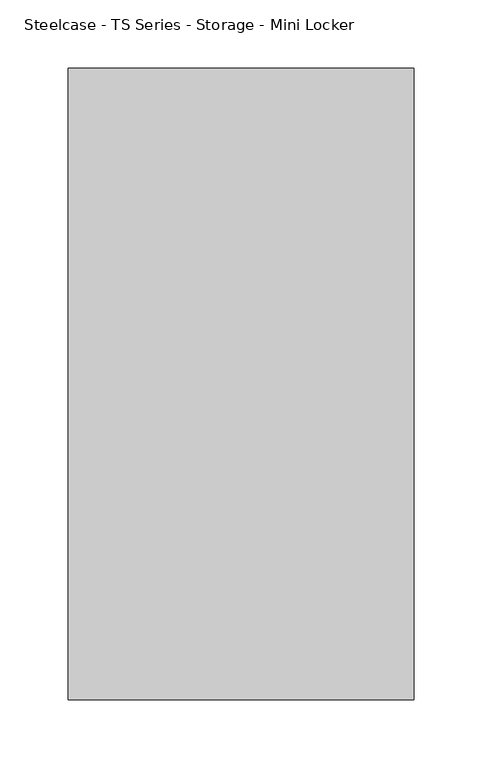
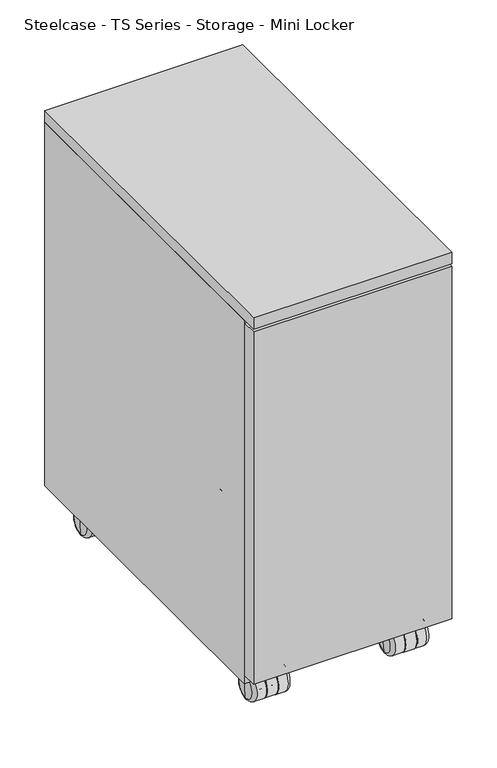
"""IFC4 building model written with IfcOpenShell, lengths in millimetres: furniture geometry, Steelcase - TS Series - Storage - Mini Locker."""

import ifcopenshell
import ifcopenshell.guid

model = None  # the IFC model being written
_history = None  # IfcOwnerHistory: only IFC2X3 demands one
_inside = {}  # id of a spatial element -> (the spatial element, [elements in it])
_under = {}  # id of a project, library or spatial element -> (it, [spatial elements below it])
_declared = {}  # id of a project -> (the project, [libraries it declares])
_typed = {}  # id of a type object -> (the type object, [elements of that type])
_made_of = {}  # id of a material, layer set ... -> (it, [elements and type objects made of it])


def new_model(schema):
    """Start an empty IFC model of exactly this schema.

    Asked for "IFC4X3", IfcOpenShell would pick the latest addendum, in which some entities
    have other attributes; the version numbers below select the first issue.
    IFC2X3 requires an IfcOwnerHistory on every rooted entity: one is made here for all.
    """
    global model, _history
    if schema == "IFC4X3":
        model = ifcopenshell.file(schema_version=(4, 3, 0, 0))
    else:
        model = ifcopenshell.file(schema=schema)
    _inside.clear()
    _under.clear()
    _declared.clear()
    _typed.clear()
    _made_of.clear()
    _history = None
    if model.schema == "IFC2X3":
        org = make("IfcOrganization", Name="unknown")
        user = make(
            "IfcPersonAndOrganization",
            ThePerson=make("IfcPerson", FamilyName="unknown"),
            TheOrganization=org,
        )
        app = make(
            "IfcApplication",
            ApplicationDeveloper=org,
            Version="unknown",
            ApplicationFullName="unknown",
            ApplicationIdentifier="unknown",
        )
        _history = make(
            "IfcOwnerHistory",
            OwningUser=user,
            OwningApplication=app,
            ChangeAction="ADDED",
            CreationDate=0,
        )
    return model


def make(cls, **values):
    """One entity of the class cls with the attributes given. An attribute that is None is left unset."""
    return model.create_entity(
        cls, **{name: value for name, value in values.items() if value is not None}
    )


def rooted(cls, **values):
    """An entity with a GlobalId (a new one), such as an element, a storey or a relation."""
    return make(cls, GlobalId=ifcopenshell.guid.new(), OwnerHistory=_history, **values)


def si_unit(unit_type, name, prefix=None):
    """IfcSIUnit, for example si_unit("LENGTHUNIT", "METRE", prefix="MILLI")."""
    return make("IfcSIUnit", UnitType=unit_type, Prefix=prefix, Name=name)


def assignment(units):
    """IfcUnitAssignment: the units of a project."""
    return None if units is None else make("IfcUnitAssignment", Units=units)


def point(xyz):
    """IfcCartesianPoint."""
    return None if xyz is None else make("IfcCartesianPoint", Coordinates=xyz)


def direction(xyz):
    """IfcDirection."""
    return None if xyz is None else make("IfcDirection", DirectionRatios=xyz)


def frame(location, z_axis=None, x_axis=None):
    """IfcAxis2Placement3D, a coordinate frame: its origin and axes. An axis left out is left unset."""
    return make(
        "IfcAxis2Placement3D",
        Location=point(location),
        Axis=direction(z_axis),
        RefDirection=direction(x_axis),
    )


def frame_2d(location, x_axis=None):
    """IfcAxis2Placement2D, a coordinate frame in the plane: its origin and x axis."""
    return make(
        "IfcAxis2Placement2D", Location=point(location), RefDirection=direction(x_axis)
    )


def origin():
    """The frame at (0, 0, 0) with its axes left unset."""
    return frame((0.0, 0.0, 0.0))


def place(relative_to, where):
    """IfcLocalPlacement: puts the frame where relative to a parent placement (None: the world)."""
    return make(
        "IfcLocalPlacement", PlacementRelTo=relative_to, RelativePlacement=where
    )


def context(
    kind, dimensions, precision=None, world=None, true_north=None, identifier=None
):
    """IfcGeometricRepresentationContext, for example the 3D "Model" context."""
    return make(
        "IfcGeometricRepresentationContext",
        ContextIdentifier=identifier,
        ContextType=kind,
        CoordinateSpaceDimension=dimensions,
        Precision=precision,
        WorldCoordinateSystem=world,
        TrueNorth=true_north,
    )


def project(units=None, contexts=None):
    """IfcProject with its units and contexts."""
    return rooted(
        "IfcProject",
        Name="project",
        RepresentationContexts=contexts,
        UnitsInContext=assignment(units),
    )


def spatial(cls, under=None, at=None, **own):
    """A site, building, storey or space (cls), placed at a placement, below another one or the project."""
    s = rooted(cls, ObjectPlacement=at, **own)
    if under is not None:
        _under.setdefault(under.id(), (under, []))[1].append(s)
    return s


def polyline(points):
    """IfcPolyline through the points."""
    return make("IfcPolyline", Points=[point(p) for p in points])


def circle_curve(where, radius):
    """IfcCircle in the frame where."""
    return make("IfcCircle", Position=where, Radius=radius)


def ellipse_curve(where, semi_axis1, semi_axis2):
    """IfcEllipse in the frame where."""
    return make(
        "IfcEllipse", Position=where, SemiAxis1=semi_axis1, SemiAxis2=semi_axis2
    )


def trimmed(basis, trim1, trim2, sense, master):
    """IfcTrimmedCurve: the piece of a basis curve between two trims."""
    return make(
        "IfcTrimmedCurve",
        BasisCurve=basis,
        Trim1=trim1,
        Trim2=trim2,
        SenseAgreement=sense,
        MasterRepresentation=master,
    )


def segment(curve, same_sense, transition):
    """IfcCompositeCurveSegment."""
    return make(
        "IfcCompositeCurveSegment",
        Transition=transition,
        SameSense=same_sense,
        ParentCurve=curve,
    )


def composite_curve(segments, self_intersect=None):
    """IfcCompositeCurve: segments joined end to end."""
    return make("IfcCompositeCurve", Segments=segments, SelfIntersect=self_intersect)


def outline(outer, holes=None, kind="AREA"):
    """IfcArbitraryClosedProfileDef: a profile drawn as a closed curve; with holes, ...WithVoids."""
    if holes is None:
        return make("IfcArbitraryClosedProfileDef", ProfileType=kind, OuterCurve=outer)
    return make(
        "IfcArbitraryProfileDefWithVoids",
        ProfileType=kind,
        OuterCurve=outer,
        InnerCurves=holes,
    )


def extrude(swept, where, along, depth):
    """IfcExtrudedAreaSolid: the profile swept, set in the frame where, extruded along a direction by depth."""
    return make(
        "IfcExtrudedAreaSolid",
        SweptArea=swept,
        Position=where,
        ExtrudedDirection=direction(along),
        Depth=depth,
    )


def shape(context_of_items, identifier, shape_type, items):
    """IfcShapeRepresentation: the items that make up one representation, for example the "Body"."""
    return make(
        "IfcShapeRepresentation",
        ContextOfItems=context_of_items,
        RepresentationIdentifier=identifier,
        RepresentationType=shape_type,
        Items=items,
    )


def source(mapping_origin, context_of_items, identifier, shape_type, items):
    """IfcRepresentationMap: a shape defined once, which mapped items show again and again."""
    return make(
        "IfcRepresentationMap",
        MappingOrigin=mapping_origin,
        MappedRepresentation=shape(context_of_items, identifier, shape_type, items),
    )


def transform(
    local_origin,
    x_axis=None,
    y_axis=None,
    z_axis=None,
    scale=None,
    scale2=None,
    scale3=None,
    uniform=True,
):
    """IfcCartesianTransformationOperator3D, or its non-uniform kind. x_axis, y_axis, z_axis: its Axis1, 2, 3."""
    if uniform:
        return make(
            "IfcCartesianTransformationOperator3D",
            Axis1=direction(x_axis),
            Axis2=direction(y_axis),
            LocalOrigin=point(local_origin),
            Scale=scale,
            Axis3=direction(z_axis),
        )
    return make(
        "IfcCartesianTransformationOperator3DnonUniform",
        Axis1=direction(x_axis),
        Axis2=direction(y_axis),
        LocalOrigin=point(local_origin),
        Scale=scale,
        Axis3=direction(z_axis),
        Scale2=scale2,
        Scale3=scale3,
    )


def mapped(mapping_source, mapping_target):
    """IfcMappedItem: shows the shape of a source again, moved by a transform."""
    return make(
        "IfcMappedItem", MappingSource=mapping_source, MappingTarget=mapping_target
    )


def made_of(thing, what):
    """Note that an element or type object is made of a material, layer set ...; save() writes the relation."""
    if what is not None:
        _made_of.setdefault(what.id(), (what, []))[1].append(thing)
    return thing


def element(
    cls,
    number,
    at=None,
    inside=None,
    cuts=None,
    type_object=None,
    material=None,
    context=None,
    identifier="Body",
    shape_type=None,
    held_by="IfcProductDefinitionShape",
    body=None,
    shapes=None,
    **own,
):
    """One element of the class cls, such as IfcWall. Its Tag is "e" and its number.

    at: its placement. inside: the storey or other place that contains it. cuts: it is an
    opening in that element (IfcRelVoidsElement). A single representation is given by context,
    identifier, shape_type and body (its items); several are given by shapes. held_by: the class
    of the entity that holds the representations. save() writes the other relations.
    """
    e = rooted(cls, Tag="e%d" % number, ObjectPlacement=at, **own)
    if body is not None:
        shapes = [shape(context, identifier, shape_type, body)]
    if shapes is not None:
        e.Representation = make(held_by, Representations=shapes)
    if inside is not None:
        _inside.setdefault(inside.id(), (inside, []))[1].append(e)
    if cuts is not None:
        rooted(
            "IfcRelVoidsElement", RelatingBuildingElement=cuts, RelatedOpeningElement=e
        )
    if type_object is not None:
        _typed.setdefault(type_object.id(), (type_object, []))[1].append(e)
    return made_of(e, material)


def aggregate(whole, parts):
    """IfcRelAggregates: a whole, such as a stair, and the parts it consists of."""
    return rooted("IfcRelAggregates", RelatingObject=whole, RelatedObjects=parts)


def save(model, path):
    """Write the relations noted so far, then the file.

    IfcRelAggregates (storeys below a building ...), IfcRelContainedInSpatialStructure (elements
    in a storey), IfcRelDefinesByType, IfcRelAssociatesMaterial and IfcRelDeclares: one each for
    every whole, place, type object, material and project.
    """
    for whole, parts in _under.values():
        aggregate(whole, parts)
    for where, things in _inside.values():
        rooted(
            "IfcRelContainedInSpatialStructure",
            RelatedElements=things,
            RelatingStructure=where,
        )
    for kind, things in _typed.values():
        rooted("IfcRelDefinesByType", RelatedObjects=things, RelatingType=kind)
    for what, things in _made_of.values():
        rooted("IfcRelAssociatesMaterial", RelatedObjects=things, RelatingMaterial=what)
    for by, libraries in _declared.values():
        rooted("IfcRelDeclares", RelatingContext=by, RelatedDefinitions=libraries)
    model.write(path)


def plane_surface(at):
    """IfcPlane: the flat surface through the origin of the frame at, square to its z axis."""
    return make("IfcPlane", Position=at)


def cylinder_surface(at, radius):
    """IfcCylindricalSurface: all points at the distance radius from the z axis of the frame at."""
    return make("IfcCylindricalSurface", Position=at, Radius=radius)


def revolved_surface(curve, axis_point, axis_direction):
    """IfcSurfaceOfRevolution: the curve turned about the line through axis_point along axis_direction."""
    return make(
        "IfcSurfaceOfRevolution",
        SweptCurve=make("IfcArbitraryOpenProfileDef", ProfileType="CURVE", Curve=curve),
        AxisPosition=make("IfcAxis1Placement", Location=point(axis_point), Axis=direction(axis_direction)),
    )


def advanced_brep(points, edges, surfaces, faces):
    """IfcAdvancedBrep: a solid bounded by faces that lie on surfaces and meet in shared edges.

    An edge is (start, end): straight between two places in points (the first is 0);
    or (start, end, curve); or (start, end, curve, False) where it runs against its curve.
    A face is (place in surfaces, loops), or (place, loops, False) where it looks against
    its surface's normal. A loop lists edges by number (the first is 1), with a minus sign
    where the edge is run from its end to its start. The first loop is the outer one.
    """
    corners = [point(p) for p in points]
    vertices = [make("IfcVertexPoint", VertexGeometry=c) for c in corners]
    made = []
    for start, end, *more in edges:
        made.append(
            make(
                "IfcEdgeCurve",
                EdgeStart=vertices[start],
                EdgeEnd=vertices[end],
                EdgeGeometry=more[0] if more else make("IfcPolyline", Points=[corners[start], corners[end]]),
                SameSense=more[1] if len(more) > 1 else True,
            )
        )
    hull = []
    for where, loops, *sense in faces:
        bounds = []
        for j, loop in enumerate(loops):
            ring = [make("IfcOrientedEdge", EdgeElement=made[abs(k) - 1], Orientation=k > 0) for k in loop]
            bounds.append(
                make(
                    "IfcFaceOuterBound" if j == 0 else "IfcFaceBound",
                    Bound=make("IfcEdgeLoop", EdgeList=ring),
                    Orientation=True,
                )
            )
        hull.append(make("IfcAdvancedFace", Bounds=bounds, FaceSurface=surfaces[where], SameSense=sense[0] if sense else True))
    return make("IfcAdvancedBrep", Outer=make("IfcClosedShell", CfsFaces=hull))


def steelcase_ts_series_storage_mini_locker_1188f6e9(model_context):
    return source(origin(), model_context, "Body", "SolidModel", [
        extrude(outline(composite_curve([segment(trimmed(circle_curve(frame_2d((690.582658, -893.1213726)), 6.7307907), [point((683.8518673, -893.1213726))], [point((697.3134487, -893.1213726))], False, "CARTESIAN"), True, "CONTINUOUS"), segment(trimmed(circle_curve(frame_2d((690.582658, -893.1213726)), 6.7307907), [point((697.3134487, -893.1213726))], [point((683.8518673, -893.1213726))], False, "CARTESIAN"), True, "CONTINUOUS")], self_intersect=False)), frame((0.0, 0.0, 7.3040774), z_axis=(0.0, 0.0, 1.0), x_axis=(1.0, 0.0, 0.0)), (0.0, 0.0, 1.0), 35.891348),
        advanced_brep(
        [(665.4020244, -879.1236777, 16.8528973), (666.3746163, -879.1236777, 30.9560996), (666.3746163, -879.1236777, 2.7496949), (670.7118263, -879.1236777, 35.2933096), (670.7118263, -879.1236777, -1.5875151), (682.4978948, -879.1236777, 35.2933096), (682.4978948, -879.1236777, -1.5875151), (682.4978948, -879.1236777, 24.5061168), (682.4978948, -879.1236777, 9.1996777), (683.8518673, -879.1236777, 24.5061168), (683.8518673, -879.1236777, 9.1996777), (683.8518673, -879.1236777, 35.2933096), (683.8518673, -879.1236777, -1.5875151), (697.3134487, -879.1236777, 35.2933096), (697.3134487, -879.1236777, -1.5875151), (697.3134487, -879.1236777, 24.5061168), (697.3134487, -879.1236777, 9.1996777), (698.6674211, -879.1236777, 24.5061168), (698.6674211, -879.1236777, 9.1996777), (698.6674211, -879.1236777, 35.2933096), (698.6674211, -879.1236777, -1.5875151), (710.4534897, -879.1236777, 35.2933096), (710.4534897, -879.1236777, -1.5875151), (714.7906997, -879.1236777, 30.9560996), (714.7906997, -879.1236777, 2.7496949), (715.7632915, -879.1236777, 16.8528973)],
        [
            (0, 1, circle_curve(frame((563.635605, -879.1236777, 30.9560996), z_axis=(0.0, -1.0, 0.0), x_axis=(-1.0, 0.0, 0.0)), 102.7390113)),
            (1, 2, circle_curve(frame((666.3746163, -879.1236777, 16.8528973), z_axis=(-1.0, 0.0, 0.0), x_axis=(0.0, 0.0, 1.0)), 14.1032024)),
            (2, 0, circle_curve(frame((563.635605, -879.1236777, 2.7496949), z_axis=(0.0, -1.0, 0.0), x_axis=(-1.0, 0.0, 0.0)), 102.7390113)),
            (2, 1, circle_curve(frame((666.3746163, -879.1236777, 16.8528973), z_axis=(-1.0, 0.0, 0.0), x_axis=(0.0, 0.0, 1.0)), 14.1032024)),
            (1, 3, circle_curve(frame((670.7118263, -879.1236777, 30.9560996), z_axis=(0.0, 1.0, 0.0), x_axis=(-1.0, 0.0, 0.0)), 4.33721)),
            (3, 4, circle_curve(frame((670.7118263, -879.1236777, 16.8528973), z_axis=(-1.0, 0.0, 0.0), x_axis=(0.0, 0.0, 1.0)), 18.4404124)),
            (4, 2, circle_curve(frame((670.7118263, -879.1236777, 2.7496949), z_axis=(0.0, 1.0, 0.0), x_axis=(-1.0, 0.0, 0.0)), 4.33721)),
            (4, 3, circle_curve(frame((670.7118263, -879.1236777, 16.8528973), z_axis=(-1.0, 0.0, 0.0), x_axis=(0.0, 0.0, 1.0)), 18.4404124)),
            (3, 5),
            (5, 6, circle_curve(frame((682.4978948, -879.1236777, 16.8528973), z_axis=(-1.0, 0.0, 0.0), x_axis=(0.0, 0.0, 1.0)), 18.4404124)),
            (6, 4),
            (6, 5, circle_curve(frame((682.4978948, -879.1236777, 16.8528973), z_axis=(-1.0, 0.0, 0.0), x_axis=(0.0, 0.0, 1.0)), 18.4404124)),
            (5, 7),
            (7, 8, circle_curve(frame((682.4978948, -879.1236777, 16.8528973), z_axis=(-1.0, 0.0, 0.0), x_axis=(0.0, 0.0, 1.0)), 7.6532196)),
            (8, 6),
            (8, 7, circle_curve(frame((682.4978948, -879.1236777, 16.8528973), z_axis=(-1.0, 0.0, 0.0), x_axis=(0.0, 0.0, 1.0)), 7.6532196)),
            (7, 9),
            (9, 10, circle_curve(frame((683.8518673, -879.1236777, 16.8528973), z_axis=(-1.0, 0.0, 0.0), x_axis=(0.0, 0.0, 1.0)), 7.6532196)),
            (10, 8),
            (10, 9, circle_curve(frame((683.8518673, -879.1236777, 16.8528973), z_axis=(-1.0, 0.0, 0.0), x_axis=(0.0, 0.0, 1.0)), 7.6532196)),
            (9, 11),
            (11, 12, circle_curve(frame((683.8518673, -879.1236777, 16.8528973), z_axis=(-1.0, 0.0, 0.0), x_axis=(0.0, 0.0, 1.0)), 18.4404124)),
            (12, 10),
            (12, 11, circle_curve(frame((683.8518673, -879.1236777, 16.8528973), z_axis=(-1.0, 0.0, 0.0), x_axis=(0.0, 0.0, 1.0)), 18.4404124)),
            (11, 13),
            (13, 14, circle_curve(frame((697.3134487, -879.1236777, 16.8528973), z_axis=(-1.0, 0.0, 0.0), x_axis=(0.0, 0.0, 1.0)), 18.4404124)),
            (14, 12),
            (14, 13, circle_curve(frame((697.3134487, -879.1236777, 16.8528973), z_axis=(-1.0, 0.0, 0.0), x_axis=(0.0, 0.0, 1.0)), 18.4404124)),
            (13, 15),
            (15, 16, circle_curve(frame((697.3134487, -879.1236777, 16.8528973), z_axis=(-1.0, 0.0, 0.0), x_axis=(0.0, 0.0, 1.0)), 7.6532196)),
            (16, 14),
            (16, 15, circle_curve(frame((697.3134487, -879.1236777, 16.8528973), z_axis=(-1.0, 0.0, 0.0), x_axis=(0.0, 0.0, 1.0)), 7.6532196)),
            (15, 17),
            (17, 18, circle_curve(frame((698.6674211, -879.1236777, 16.8528973), z_axis=(-1.0, 0.0, 0.0), x_axis=(0.0, 0.0, 1.0)), 7.6532196)),
            (18, 16),
            (18, 17, circle_curve(frame((698.6674211, -879.1236777, 16.8528973), z_axis=(-1.0, 0.0, 0.0), x_axis=(0.0, 0.0, 1.0)), 7.6532196)),
            (17, 19),
            (19, 20, circle_curve(frame((698.6674211, -879.1236777, 16.8528973), z_axis=(-1.0, 0.0, 0.0), x_axis=(0.0, 0.0, 1.0)), 18.4404124)),
            (20, 18),
            (20, 19, circle_curve(frame((698.6674211, -879.1236777, 16.8528973), z_axis=(-1.0, 0.0, 0.0), x_axis=(0.0, 0.0, 1.0)), 18.4404124)),
            (19, 21),
            (21, 22, circle_curve(frame((710.4534897, -879.1236777, 16.8528973), z_axis=(-1.0, 0.0, 0.0), x_axis=(0.0, 0.0, 1.0)), 18.4404124)),
            (22, 20),
            (22, 21, circle_curve(frame((710.4534897, -879.1236777, 16.8528973), z_axis=(-1.0, 0.0, 0.0), x_axis=(0.0, 0.0, 1.0)), 18.4404124)),
            (21, 23, circle_curve(frame((710.4534897, -879.1236777, 30.9560996), z_axis=(0.0, 1.0, 0.0), x_axis=(-1.0, 0.0, 0.0)), 4.33721)),
            (23, 24, circle_curve(frame((714.7906997, -879.1236777, 16.8528973), z_axis=(-1.0, 0.0, 0.0), x_axis=(0.0, 0.0, 1.0)), 14.1032024)),
            (24, 22, circle_curve(frame((710.4534897, -879.1236777, 2.7496949), z_axis=(0.0, 1.0, 0.0), x_axis=(-1.0, 0.0, 0.0)), 4.33721)),
            (24, 23, circle_curve(frame((714.7906997, -879.1236777, 16.8528973), z_axis=(-1.0, 0.0, 0.0), x_axis=(0.0, 0.0, 1.0)), 14.1032024)),
            (23, 25, circle_curve(frame((817.529711, -879.1236777, 30.9560996), z_axis=(0.0, -1.0, 0.0), x_axis=(-1.0, 0.0, 0.0)), 102.7390113)),
            (25, 24, circle_curve(frame((817.529711, -879.1236777, 2.7496949), z_axis=(0.0, -1.0, 0.0), x_axis=(-1.0, 0.0, 0.0)), 102.7390113)),
        ],
        [
            revolved_surface(trimmed(ellipse_curve(frame((563.635605, -879.1236777, 30.9560996), z_axis=(0.0, 1.0, 0.0), x_axis=(-1.0, 0.0, 0.0)), 102.7390113, 102.7390113), [point((666.3746163, -879.1236777, 30.9560996))], [point((665.4020244, -879.1236777, 16.8528973))], True, "CARTESIAN"), (683.0897593, -879.1236777, 16.8528973), (-1.0, 0.0, 0.0)),
            revolved_surface(trimmed(ellipse_curve(frame((670.7118263, -879.1236777, 30.9560996), z_axis=(0.0, -1.0, 0.0), x_axis=(-1.0, 0.0, 0.0)), 4.33721, 4.33721), [point((670.7118263, -879.1236777, 35.2933096))], [point((666.3746163, -879.1236777, 30.9560996))], True, "CARTESIAN"), (683.0897593, -879.1236777, 16.8528973), (-1.0, 0.0, 0.0)),
            cylinder_surface(frame((683.0897593, -879.1236777, 16.8528973), z_axis=(-1.0, 0.0, 0.0), x_axis=(0.0, 0.0, 1.0)), 18.4404124),
            plane_surface(frame((682.4978948, -879.1236777, 16.8528973), z_axis=(1.0, 0.0, 0.0), x_axis=(0.0, 0.0, 1.0))),
            cylinder_surface(frame((683.0897593, -879.1236777, 16.8528973), z_axis=(-1.0, 0.0, 0.0), x_axis=(0.0, 0.0, 1.0)), 7.6532196),
            plane_surface(frame((683.8518673, -879.1236777, 16.8528973), z_axis=(-1.0, 0.0, 0.0), x_axis=(0.0, 0.0, 1.0))),
            plane_surface(frame((697.3134487, -879.1236777, 16.8528973), z_axis=(1.0, 0.0, 0.0), x_axis=(0.0, 0.0, 1.0))),
            plane_surface(frame((698.6674211, -879.1236777, 16.8528973), z_axis=(-1.0, 0.0, 0.0), x_axis=(0.0, 0.0, 1.0))),
            revolved_surface(trimmed(ellipse_curve(frame((710.4534897, -879.1236777, 30.9560996), z_axis=(0.0, -1.0, 0.0), x_axis=(-1.0, 0.0, 0.0)), 4.33721, 4.33721), [point((714.7906997, -879.1236777, 30.9560996))], [point((710.4534897, -879.1236777, 35.2933096))], True, "CARTESIAN"), (683.0897593, -879.1236777, 16.8528973), (-1.0, 0.0, 0.0)),
            revolved_surface(trimmed(ellipse_curve(frame((817.529711, -879.1236777, 30.9560996), z_axis=(0.0, 1.0, 0.0), x_axis=(-1.0, 0.0, 0.0)), 102.7390113, 102.7390113), [point((715.7632915, -879.1236777, 16.8528973))], [point((714.7906997, -879.1236777, 30.9560996))], True, "CARTESIAN"), (683.0897593, -879.1236777, 16.8528973), (-1.0, 0.0, 0.0)),
        ],
        [
            (0, [[1, 2, 3]]),
            (0, [[-3, 4, -1]]),
            (1, [[-2, 5, 6, 7]]),
            (1, [[-4, -7, 8, -5]]),
            (2, [[-6, 9, 10, 11]]),
            (2, [[-8, -11, 12, -9]]),
            (3, [[-10, 13, 14, 15]]),
            (3, [[-12, -15, 16, -13]]),
            (4, [[-14, 17, 18, 19]]),
            (4, [[-16, -19, 20, -17]]),
            (5, [[-18, 21, 22, 23]]),
            (5, [[-20, -23, 24, -21]]),
            (2, [[-22, 25, 26, 27]]),
            (2, [[-24, -27, 28, -25]]),
            (6, [[-26, 29, 30, 31]]),
            (6, [[-28, -31, 32, -29]]),
            (4, [[-30, 33, 34, 35]]),
            (4, [[-32, -35, 36, -33]]),
            (7, [[-34, 37, 38, 39]]),
            (7, [[-36, -39, 40, -37]]),
            (2, [[-38, 41, 42, 43]]),
            (2, [[-40, -43, 44, -41]]),
            (8, [[-42, 45, 46, 47]]),
            (8, [[-44, -47, 48, -45]]),
            (9, [[-46, 49, 50]]),
            (9, [[-48, -50, -49]]),
        ],
    ),
        extrude(outline(composite_curve([segment(trimmed(circle_curve(frame_2d((868.5362277, -893.1213726)), 6.7307907), [point((875.2670184, -893.1213726))], [point((861.805437, -893.1213726))], False, "CARTESIAN"), True, "CONTINUOUS"), segment(trimmed(circle_curve(frame_2d((868.5362277, -893.1213726)), 6.7307907), [point((861.805437, -893.1213726))], [point((875.2670184, -893.1213726))], False, "CARTESIAN"), True, "CONTINUOUS")], self_intersect=False)), frame((0.0, 0.0, 7.3040774), z_axis=(0.0, 0.0, 1.0), x_axis=(1.0, 0.0, 0.0)), (0.0, 0.0, 1.0), 35.891348),
        advanced_brep(
        [(892.7442694, -879.1236777, 2.7496949), (892.7442694, -879.1236777, 30.9560996), (893.7168613, -879.1236777, 16.8528973), (888.4070594, -879.1236777, -1.5875151), (888.4070594, -879.1236777, 35.2933096), (876.6209909, -879.1236777, -1.5875151), (876.6209909, -879.1236777, 35.2933096), (876.6209909, -879.1236777, 9.1996777), (876.6209909, -879.1236777, 24.5061168), (875.2670184, -879.1236777, 9.1996777), (875.2670184, -879.1236777, 24.5061168), (875.2670184, -879.1236777, -1.5875151), (875.2670184, -879.1236777, 35.2933096), (861.805437, -879.1236777, -1.5875151), (861.805437, -879.1236777, 35.2933096), (861.805437, -879.1236777, 9.1996777), (861.805437, -879.1236777, 24.5061168), (860.4514646, -879.1236777, 9.1996777), (860.4514646, -879.1236777, 24.5061168), (860.4514646, -879.1236777, -1.5875151), (860.4514646, -879.1236777, 35.2933096), (848.665396, -879.1236777, -1.5875151), (848.665396, -879.1236777, 35.2933096), (844.328186, -879.1236777, 2.7496949), (844.328186, -879.1236777, 30.9560996), (843.3555942, -879.1236777, 16.8528973)],
        [
            (0, 1, circle_curve(frame((892.7442694, -879.1236777, 16.8528973), z_axis=(1.0, 0.0, 0.0), x_axis=(0.0, 0.0, 1.0)), 14.1032024)),
            (1, 2, circle_curve(frame((995.4832807, -879.1236777, 30.9560996), z_axis=(0.0, -1.0, 0.0), x_axis=(1.0, 0.0, 0.0)), 102.7390113)),
            (2, 0, circle_curve(frame((995.4832807, -879.1236777, 2.7496949), z_axis=(0.0, -1.0, 0.0), x_axis=(1.0, 0.0, 0.0)), 102.7390113)),
            (1, 0, circle_curve(frame((892.7442694, -879.1236777, 16.8528973), z_axis=(1.0, 0.0, 0.0), x_axis=(0.0, 0.0, 1.0)), 14.1032024)),
            (3, 4, circle_curve(frame((888.4070594, -879.1236777, 16.8528973), z_axis=(1.0, 0.0, 0.0), x_axis=(0.0, 0.0, 1.0)), 18.4404124)),
            (4, 1, circle_curve(frame((888.4070594, -879.1236777, 30.9560996), z_axis=(0.0, 1.0, 0.0), x_axis=(1.0, 0.0, 0.0)), 4.33721)),
            (0, 3, circle_curve(frame((888.4070594, -879.1236777, 2.7496949), z_axis=(0.0, 1.0, 0.0), x_axis=(1.0, 0.0, 0.0)), 4.33721)),
            (4, 3, circle_curve(frame((888.4070594, -879.1236777, 16.8528973), z_axis=(1.0, 0.0, 0.0), x_axis=(0.0, 0.0, 1.0)), 18.4404124)),
            (5, 6, circle_curve(frame((876.6209909, -879.1236777, 16.8528973), z_axis=(1.0, 0.0, 0.0), x_axis=(0.0, 0.0, 1.0)), 18.4404124)),
            (6, 4),
            (3, 5),
            (6, 5, circle_curve(frame((876.6209909, -879.1236777, 16.8528973), z_axis=(1.0, 0.0, 0.0), x_axis=(0.0, 0.0, 1.0)), 18.4404124)),
            (7, 8, circle_curve(frame((876.6209909, -879.1236777, 16.8528973), z_axis=(1.0, 0.0, 0.0), x_axis=(0.0, 0.0, 1.0)), 7.6532196)),
            (8, 6),
            (5, 7),
            (8, 7, circle_curve(frame((876.6209909, -879.1236777, 16.8528973), z_axis=(1.0, 0.0, 0.0), x_axis=(0.0, 0.0, 1.0)), 7.6532196)),
            (9, 10, circle_curve(frame((875.2670184, -879.1236777, 16.8528973), z_axis=(1.0, 0.0, 0.0), x_axis=(0.0, 0.0, 1.0)), 7.6532196)),
            (10, 8),
            (7, 9),
            (10, 9, circle_curve(frame((875.2670184, -879.1236777, 16.8528973), z_axis=(1.0, 0.0, 0.0), x_axis=(0.0, 0.0, 1.0)), 7.6532196)),
            (11, 12, circle_curve(frame((875.2670184, -879.1236777, 16.8528973), z_axis=(1.0, 0.0, 0.0), x_axis=(0.0, 0.0, 1.0)), 18.4404124)),
            (12, 10),
            (9, 11),
            (12, 11, circle_curve(frame((875.2670184, -879.1236777, 16.8528973), z_axis=(1.0, 0.0, 0.0), x_axis=(0.0, 0.0, 1.0)), 18.4404124)),
            (13, 14, circle_curve(frame((861.805437, -879.1236777, 16.8528973), z_axis=(1.0, 0.0, 0.0), x_axis=(0.0, 0.0, 1.0)), 18.4404124)),
            (14, 12),
            (11, 13),
            (14, 13, circle_curve(frame((861.805437, -879.1236777, 16.8528973), z_axis=(1.0, 0.0, 0.0), x_axis=(0.0, 0.0, 1.0)), 18.4404124)),
            (15, 16, circle_curve(frame((861.805437, -879.1236777, 16.8528973), z_axis=(1.0, 0.0, 0.0), x_axis=(0.0, 0.0, 1.0)), 7.6532196)),
            (16, 14),
            (13, 15),
            (16, 15, circle_curve(frame((861.805437, -879.1236777, 16.8528973), z_axis=(1.0, 0.0, 0.0), x_axis=(0.0, 0.0, 1.0)), 7.6532196)),
            (17, 18, circle_curve(frame((860.4514646, -879.1236777, 16.8528973), z_axis=(1.0, 0.0, 0.0), x_axis=(0.0, 0.0, 1.0)), 7.6532196)),
            (18, 16),
            (15, 17),
            (18, 17, circle_curve(frame((860.4514646, -879.1236777, 16.8528973), z_axis=(1.0, 0.0, 0.0), x_axis=(0.0, 0.0, 1.0)), 7.6532196)),
            (19, 20, circle_curve(frame((860.4514646, -879.1236777, 16.8528973), z_axis=(1.0, 0.0, 0.0), x_axis=(0.0, 0.0, 1.0)), 18.4404124)),
            (20, 18),
            (17, 19),
            (20, 19, circle_curve(frame((860.4514646, -879.1236777, 16.8528973), z_axis=(1.0, 0.0, 0.0), x_axis=(0.0, 0.0, 1.0)), 18.4404124)),
            (21, 22, circle_curve(frame((848.665396, -879.1236777, 16.8528973), z_axis=(1.0, 0.0, 0.0), x_axis=(0.0, 0.0, 1.0)), 18.4404124)),
            (22, 20),
            (19, 21),
            (22, 21, circle_curve(frame((848.665396, -879.1236777, 16.8528973), z_axis=(1.0, 0.0, 0.0), x_axis=(0.0, 0.0, 1.0)), 18.4404124)),
            (23, 24, circle_curve(frame((844.328186, -879.1236777, 16.8528973), z_axis=(1.0, 0.0, 0.0), x_axis=(0.0, 0.0, 1.0)), 14.1032024)),
            (24, 22, circle_curve(frame((848.665396, -879.1236777, 30.9560996), z_axis=(0.0, 1.0, 0.0), x_axis=(1.0, 0.0, 0.0)), 4.33721)),
            (21, 23, circle_curve(frame((848.665396, -879.1236777, 2.7496949), z_axis=(0.0, 1.0, 0.0), x_axis=(1.0, 0.0, 0.0)), 4.33721)),
            (24, 23, circle_curve(frame((844.328186, -879.1236777, 16.8528973), z_axis=(1.0, 0.0, 0.0), x_axis=(0.0, 0.0, 1.0)), 14.1032024)),
            (25, 24, circle_curve(frame((741.5891747, -879.1236777, 30.9560996), z_axis=(0.0, -1.0, 0.0), x_axis=(1.0, 0.0, 0.0)), 102.7390113)),
            (23, 25, circle_curve(frame((741.5891747, -879.1236777, 2.7496949), z_axis=(0.0, -1.0, 0.0), x_axis=(1.0, 0.0, 0.0)), 102.7390113)),
        ],
        [
            revolved_surface(trimmed(ellipse_curve(frame((995.4832807, -879.1236777, 30.9560996), z_axis=(0.0, 1.0, 0.0), x_axis=(1.0, 0.0, 0.0)), 102.7390113, 102.7390113), [point((893.7168613, -879.1236777, 16.8528973))], [point((892.7442694, -879.1236777, 30.9560996))], True, "CARTESIAN"), (876.0291264, -879.1236777, 16.8528973), (-1.0, 0.0, 0.0)),
            revolved_surface(trimmed(ellipse_curve(frame((888.4070594, -879.1236777, 30.9560996), z_axis=(0.0, -1.0, 0.0), x_axis=(1.0, 0.0, 0.0)), 4.33721, 4.33721), [point((892.7442694, -879.1236777, 30.9560996))], [point((888.4070594, -879.1236777, 35.2933096))], True, "CARTESIAN"), (876.0291264, -879.1236777, 16.8528973), (-1.0, 0.0, 0.0)),
            cylinder_surface(frame((876.0291264, -879.1236777, 16.8528973), z_axis=(-1.0, 0.0, 0.0), x_axis=(0.0, 0.0, 1.0)), 18.4404124),
            plane_surface(frame((876.6209909, -879.1236777, 16.8528973), z_axis=(-1.0, 0.0, 0.0), x_axis=(0.0, 0.0, 1.0))),
            cylinder_surface(frame((876.0291264, -879.1236777, 16.8528973), z_axis=(-1.0, 0.0, 0.0), x_axis=(0.0, 0.0, 1.0)), 7.6532196),
            plane_surface(frame((875.2670184, -879.1236777, 16.8528973), z_axis=(1.0, 0.0, 0.0), x_axis=(0.0, 0.0, 1.0))),
            plane_surface(frame((861.805437, -879.1236777, 16.8528973), z_axis=(-1.0, 0.0, 0.0), x_axis=(0.0, 0.0, 1.0))),
            plane_surface(frame((860.4514646, -879.1236777, 16.8528973), z_axis=(1.0, 0.0, 0.0), x_axis=(0.0, 0.0, 1.0))),
            revolved_surface(trimmed(ellipse_curve(frame((848.665396, -879.1236777, 30.9560996), z_axis=(0.0, -1.0, 0.0), x_axis=(1.0, 0.0, 0.0)), 4.33721, 4.33721), [point((848.665396, -879.1236777, 35.2933096))], [point((844.328186, -879.1236777, 30.9560996))], True, "CARTESIAN"), (876.0291264, -879.1236777, 16.8528973), (-1.0, 0.0, 0.0)),
            revolved_surface(trimmed(ellipse_curve(frame((741.5891747, -879.1236777, 30.9560996), z_axis=(0.0, 1.0, 0.0), x_axis=(1.0, 0.0, 0.0)), 102.7390113, 102.7390113), [point((844.328186, -879.1236777, 30.9560996))], [point((843.3555942, -879.1236777, 16.8528973))], True, "CARTESIAN"), (876.0291264, -879.1236777, 16.8528973), (-1.0, 0.0, 0.0)),
        ],
        [
            (0, [[1, 2, 3]]),
            (0, [[4, -3, -2]]),
            (1, [[5, 6, -1, 7]]),
            (1, [[8, -7, -4, -6]]),
            (2, [[9, 10, -5, 11]]),
            (2, [[12, -11, -8, -10]]),
            (3, [[13, 14, -9, 15]]),
            (3, [[16, -15, -12, -14]]),
            (4, [[17, 18, -13, 19]]),
            (4, [[20, -19, -16, -18]]),
            (5, [[21, 22, -17, 23]]),
            (5, [[24, -23, -20, -22]]),
            (2, [[25, 26, -21, 27]]),
            (2, [[28, -27, -24, -26]]),
            (6, [[29, 30, -25, 31]]),
            (6, [[32, -31, -28, -30]]),
            (4, [[33, 34, -29, 35]]),
            (4, [[36, -35, -32, -34]]),
            (7, [[37, 38, -33, 39]]),
            (7, [[40, -39, -36, -38]]),
            (2, [[41, 42, -37, 43]]),
            (2, [[44, -43, -40, -42]]),
            (8, [[45, 46, -41, 47]]),
            (8, [[48, -47, -44, -46]]),
            (9, [[49, -45, 50]]),
            (9, [[-50, -48, -49]]),
        ],
    ),
        extrude(outline(composite_curve([segment(trimmed(circle_curve(frame_2d((868.5362277, -1231.8396095)), 6.7307907), [point((875.2670184, -1231.8396095))], [point((861.805437, -1231.8396095))], False, "CARTESIAN"), True, "CONTINUOUS"), segment(trimmed(circle_curve(frame_2d((868.5362277, -1231.8396095)), 6.7307907), [point((861.805437, -1231.8396095))], [point((875.2670184, -1231.8396095))], False, "CARTESIAN"), True, "CONTINUOUS")], self_intersect=False)), frame((0.0, 0.0, 7.3040774), z_axis=(0.0, 0.0, 1.0), x_axis=(1.0, 0.0, 0.0)), (0.0, 0.0, 1.0), 35.891348),
        advanced_brep(
        [(893.7168613, -1245.8373044, 16.8528973), (892.7442694, -1245.8373044, 30.9560996), (892.7442694, -1245.8373044, 2.7496949), (888.4070594, -1245.8373044, 35.2933096), (888.4070594, -1245.8373044, -1.5875151), (876.6209909, -1245.8373044, 35.2933096), (876.6209909, -1245.8373044, -1.5875151), (876.6209909, -1245.8373044, 24.5061168), (876.6209909, -1245.8373044, 9.1996777), (875.2670184, -1245.8373044, 24.5061168), (875.2670184, -1245.8373044, 9.1996777), (875.2670184, -1245.8373044, 35.2933096), (875.2670184, -1245.8373044, -1.5875151), (861.805437, -1245.8373044, 35.2933096), (861.805437, -1245.8373044, -1.5875151), (861.805437, -1245.8373044, 24.5061168), (861.805437, -1245.8373044, 9.1996777), (860.4514646, -1245.8373044, 24.5061168), (860.4514646, -1245.8373044, 9.1996777), (860.4514646, -1245.8373044, 35.2933096), (860.4514646, -1245.8373044, -1.5875151), (848.665396, -1245.8373044, 35.2933096), (848.665396, -1245.8373044, -1.5875151), (844.328186, -1245.8373044, 30.9560996), (844.328186, -1245.8373044, 2.7496949), (843.3555942, -1245.8373044, 16.8528973)],
        [
            (0, 1, circle_curve(frame((995.4832807, -1245.8373044, 30.9560996), z_axis=(0.0, 1.0, 0.0), x_axis=(1.0, 0.0, 0.0)), 102.7390113)),
            (1, 2, circle_curve(frame((892.7442694, -1245.8373044, 16.8528973), z_axis=(1.0, 0.0, 0.0), x_axis=(0.0, 0.0, 1.0)), 14.1032024)),
            (2, 0, circle_curve(frame((995.4832807, -1245.8373044, 2.7496949), z_axis=(0.0, 1.0, 0.0), x_axis=(1.0, 0.0, 0.0)), 102.7390113)),
            (2, 1, circle_curve(frame((892.7442694, -1245.8373044, 16.8528973), z_axis=(1.0, 0.0, 0.0), x_axis=(0.0, 0.0, 1.0)), 14.1032024)),
            (1, 3, circle_curve(frame((888.4070594, -1245.8373044, 30.9560996), z_axis=(0.0, -1.0, 0.0), x_axis=(1.0, 0.0, 0.0)), 4.33721)),
            (3, 4, circle_curve(frame((888.4070594, -1245.8373044, 16.8528973), z_axis=(1.0, 0.0, 0.0), x_axis=(0.0, 0.0, 1.0)), 18.4404124)),
            (4, 2, circle_curve(frame((888.4070594, -1245.8373044, 2.7496949), z_axis=(0.0, -1.0, 0.0), x_axis=(1.0, 0.0, 0.0)), 4.33721)),
            (4, 3, circle_curve(frame((888.4070594, -1245.8373044, 16.8528973), z_axis=(1.0, 0.0, 0.0), x_axis=(0.0, 0.0, 1.0)), 18.4404124)),
            (3, 5),
            (5, 6, circle_curve(frame((876.6209909, -1245.8373044, 16.8528973), z_axis=(1.0, 0.0, 0.0), x_axis=(0.0, 0.0, 1.0)), 18.4404124)),
            (6, 4),
            (6, 5, circle_curve(frame((876.6209909, -1245.8373044, 16.8528973), z_axis=(1.0, 0.0, 0.0), x_axis=(0.0, 0.0, 1.0)), 18.4404124)),
            (5, 7),
            (7, 8, circle_curve(frame((876.6209909, -1245.8373044, 16.8528973), z_axis=(1.0, 0.0, 0.0), x_axis=(0.0, 0.0, 1.0)), 7.6532196)),
            (8, 6),
            (8, 7, circle_curve(frame((876.6209909, -1245.8373044, 16.8528973), z_axis=(1.0, 0.0, 0.0), x_axis=(0.0, 0.0, 1.0)), 7.6532196)),
            (7, 9),
            (9, 10, circle_curve(frame((875.2670184, -1245.8373044, 16.8528973), z_axis=(1.0, 0.0, 0.0), x_axis=(0.0, 0.0, 1.0)), 7.6532196)),
            (10, 8),
            (10, 9, circle_curve(frame((875.2670184, -1245.8373044, 16.8528973), z_axis=(1.0, 0.0, 0.0), x_axis=(0.0, 0.0, 1.0)), 7.6532196)),
            (9, 11),
            (11, 12, circle_curve(frame((875.2670184, -1245.8373044, 16.8528973), z_axis=(1.0, 0.0, 0.0), x_axis=(0.0, 0.0, 1.0)), 18.4404124)),
            (12, 10),
            (12, 11, circle_curve(frame((875.2670184, -1245.8373044, 16.8528973), z_axis=(1.0, 0.0, 0.0), x_axis=(0.0, 0.0, 1.0)), 18.4404124)),
            (11, 13),
            (13, 14, circle_curve(frame((861.805437, -1245.8373044, 16.8528973), z_axis=(1.0, 0.0, 0.0), x_axis=(0.0, 0.0, 1.0)), 18.4404124)),
            (14, 12),
            (14, 13, circle_curve(frame((861.805437, -1245.8373044, 16.8528973), z_axis=(1.0, 0.0, 0.0), x_axis=(0.0, 0.0, 1.0)), 18.4404124)),
            (13, 15),
            (15, 16, circle_curve(frame((861.805437, -1245.8373044, 16.8528973), z_axis=(1.0, 0.0, 0.0), x_axis=(0.0, 0.0, 1.0)), 7.6532196)),
            (16, 14),
            (16, 15, circle_curve(frame((861.805437, -1245.8373044, 16.8528973), z_axis=(1.0, 0.0, 0.0), x_axis=(0.0, 0.0, 1.0)), 7.6532196)),
            (15, 17),
            (17, 18, circle_curve(frame((860.4514646, -1245.8373044, 16.8528973), z_axis=(1.0, 0.0, 0.0), x_axis=(0.0, 0.0, 1.0)), 7.6532196)),
            (18, 16),
            (18, 17, circle_curve(frame((860.4514646, -1245.8373044, 16.8528973), z_axis=(1.0, 0.0, 0.0), x_axis=(0.0, 0.0, 1.0)), 7.6532196)),
            (17, 19),
            (19, 20, circle_curve(frame((860.4514646, -1245.8373044, 16.8528973), z_axis=(1.0, 0.0, 0.0), x_axis=(0.0, 0.0, 1.0)), 18.4404124)),
            (20, 18),
            (20, 19, circle_curve(frame((860.4514646, -1245.8373044, 16.8528973), z_axis=(1.0, 0.0, 0.0), x_axis=(0.0, 0.0, 1.0)), 18.4404124)),
            (19, 21),
            (21, 22, circle_curve(frame((848.665396, -1245.8373044, 16.8528973), z_axis=(1.0, 0.0, 0.0), x_axis=(0.0, 0.0, 1.0)), 18.4404124)),
            (22, 20),
            (22, 21, circle_curve(frame((848.665396, -1245.8373044, 16.8528973), z_axis=(1.0, 0.0, 0.0), x_axis=(0.0, 0.0, 1.0)), 18.4404124)),
            (21, 23, circle_curve(frame((848.665396, -1245.8373044, 30.9560996), z_axis=(0.0, -1.0, 0.0), x_axis=(1.0, 0.0, 0.0)), 4.33721)),
            (23, 24, circle_curve(frame((844.328186, -1245.8373044, 16.8528973), z_axis=(1.0, 0.0, 0.0), x_axis=(0.0, 0.0, 1.0)), 14.1032024)),
            (24, 22, circle_curve(frame((848.665396, -1245.8373044, 2.7496949), z_axis=(0.0, -1.0, 0.0), x_axis=(1.0, 0.0, 0.0)), 4.33721)),
            (24, 23, circle_curve(frame((844.328186, -1245.8373044, 16.8528973), z_axis=(1.0, 0.0, 0.0), x_axis=(0.0, 0.0, 1.0)), 14.1032024)),
            (23, 25, circle_curve(frame((741.5891747, -1245.8373044, 30.9560996), z_axis=(0.0, 1.0, 0.0), x_axis=(1.0, 0.0, 0.0)), 102.7390113)),
            (25, 24, circle_curve(frame((741.5891747, -1245.8373044, 2.7496949), z_axis=(0.0, 1.0, 0.0), x_axis=(1.0, 0.0, 0.0)), 102.7390113)),
        ],
        [
            revolved_surface(trimmed(ellipse_curve(frame((995.4832807, -1245.8373044, 30.9560996), z_axis=(0.0, -1.0, 0.0), x_axis=(1.0, 0.0, 0.0)), 102.7390113, 102.7390113), [point((892.7442694, -1245.8373044, 30.9560996))], [point((893.7168613, -1245.8373044, 16.8528973))], True, "CARTESIAN"), (876.0291264, -1245.8373044, 16.8528973), (1.0, 0.0, 0.0)),
            revolved_surface(trimmed(ellipse_curve(frame((888.4070594, -1245.8373044, 30.9560996), z_axis=(0.0, 1.0, 0.0), x_axis=(1.0, 0.0, 0.0)), 4.33721, 4.33721), [point((888.4070594, -1245.8373044, 35.2933096))], [point((892.7442694, -1245.8373044, 30.9560996))], True, "CARTESIAN"), (876.0291264, -1245.8373044, 16.8528973), (1.0, 0.0, 0.0)),
            cylinder_surface(frame((876.0291264, -1245.8373044, 16.8528973), z_axis=(1.0, 0.0, 0.0), x_axis=(0.0, 0.0, 1.0)), 18.4404124),
            plane_surface(frame((876.6209909, -1245.8373044, 16.8528973), z_axis=(-1.0, 0.0, 0.0), x_axis=(0.0, 0.0, 1.0))),
            cylinder_surface(frame((876.0291264, -1245.8373044, 16.8528973), z_axis=(1.0, 0.0, 0.0), x_axis=(0.0, 0.0, 1.0)), 7.6532196),
            plane_surface(frame((875.2670184, -1245.8373044, 16.8528973), z_axis=(1.0, 0.0, 0.0), x_axis=(0.0, 0.0, 1.0))),
            plane_surface(frame((861.805437, -1245.8373044, 16.8528973), z_axis=(-1.0, 0.0, 0.0), x_axis=(0.0, 0.0, 1.0))),
            plane_surface(frame((860.4514646, -1245.8373044, 16.8528973), z_axis=(1.0, 0.0, 0.0), x_axis=(0.0, 0.0, 1.0))),
            revolved_surface(trimmed(ellipse_curve(frame((848.665396, -1245.8373044, 30.9560996), z_axis=(0.0, 1.0, 0.0), x_axis=(1.0, 0.0, 0.0)), 4.33721, 4.33721), [point((844.328186, -1245.8373044, 30.9560996))], [point((848.665396, -1245.8373044, 35.2933096))], True, "CARTESIAN"), (876.0291264, -1245.8373044, 16.8528973), (1.0, 0.0, 0.0)),
            revolved_surface(trimmed(ellipse_curve(frame((741.5891747, -1245.8373044, 30.9560996), z_axis=(0.0, -1.0, 0.0), x_axis=(1.0, 0.0, 0.0)), 102.7390113, 102.7390113), [point((843.3555942, -1245.8373044, 16.8528973))], [point((844.328186, -1245.8373044, 30.9560996))], True, "CARTESIAN"), (876.0291264, -1245.8373044, 16.8528973), (1.0, 0.0, 0.0)),
        ],
        [
            (0, [[1, 2, 3]]),
            (0, [[-3, 4, -1]]),
            (1, [[-2, 5, 6, 7]]),
            (1, [[-4, -7, 8, -5]]),
            (2, [[-6, 9, 10, 11]]),
            (2, [[-8, -11, 12, -9]]),
            (3, [[-10, 13, 14, 15]]),
            (3, [[-12, -15, 16, -13]]),
            (4, [[-14, 17, 18, 19]]),
            (4, [[-16, -19, 20, -17]]),
            (5, [[-18, 21, 22, 23]]),
            (5, [[-20, -23, 24, -21]]),
            (2, [[-22, 25, 26, 27]]),
            (2, [[-24, -27, 28, -25]]),
            (6, [[-26, 29, 30, 31]]),
            (6, [[-28, -31, 32, -29]]),
            (4, [[-30, 33, 34, 35]]),
            (4, [[-32, -35, 36, -33]]),
            (7, [[-34, 37, 38, 39]]),
            (7, [[-36, -39, 40, -37]]),
            (2, [[-38, 41, 42, 43]]),
            (2, [[-40, -43, 44, -41]]),
            (8, [[-42, 45, 46, 47]]),
            (8, [[-44, -47, 48, -45]]),
            (9, [[-46, 49, 50]]),
            (9, [[-48, -50, -49]]),
        ],
    ),
        extrude(outline(composite_curve([segment(trimmed(circle_curve(frame_2d((690.582658, -1231.8396095)), 6.7307907), [point((683.8518673, -1231.8396095))], [point((697.3134487, -1231.8396095))], False, "CARTESIAN"), True, "CONTINUOUS"), segment(trimmed(circle_curve(frame_2d((690.582658, -1231.8396095)), 6.7307907), [point((697.3134487, -1231.8396095))], [point((683.8518673, -1231.8396095))], False, "CARTESIAN"), True, "CONTINUOUS")], self_intersect=False)), frame((0.0, 0.0, 7.3040774), z_axis=(0.0, 0.0, 1.0), x_axis=(1.0, 0.0, 0.0)), (0.0, 0.0, 1.0), 35.891348),
        advanced_brep(
        [(666.3746163, -1245.8373044, 2.7496949), (666.3746163, -1245.8373044, 30.9560996), (665.4020244, -1245.8373044, 16.8528973), (670.7118263, -1245.8373044, -1.5875151), (670.7118263, -1245.8373044, 35.2933096), (682.4978948, -1245.8373044, -1.5875151), (682.4978948, -1245.8373044, 35.2933096), (682.4978948, -1245.8373044, 9.1996777), (682.4978948, -1245.8373044, 24.5061168), (683.8518673, -1245.8373044, 9.1996777), (683.8518673, -1245.8373044, 24.5061168), (683.8518673, -1245.8373044, -1.5875151), (683.8518673, -1245.8373044, 35.2933096), (697.3134487, -1245.8373044, -1.5875151), (697.3134487, -1245.8373044, 35.2933096), (697.3134487, -1245.8373044, 9.1996777), (697.3134487, -1245.8373044, 24.5061168), (698.6674211, -1245.8373044, 9.1996777), (698.6674211, -1245.8373044, 24.5061168), (698.6674211, -1245.8373044, -1.5875151), (698.6674211, -1245.8373044, 35.2933096), (710.4534897, -1245.8373044, -1.5875151), (710.4534897, -1245.8373044, 35.2933096), (714.7906997, -1245.8373044, 2.7496949), (714.7906997, -1245.8373044, 30.9560996), (715.7632915, -1245.8373044, 16.8528973)],
        [
            (0, 1, circle_curve(frame((666.3746163, -1245.8373044, 16.8528973), z_axis=(-1.0, 0.0, 0.0), x_axis=(0.0, 0.0, 1.0)), 14.1032024)),
            (1, 2, circle_curve(frame((563.635605, -1245.8373044, 30.9560996), z_axis=(0.0, 1.0, 0.0), x_axis=(-1.0, 0.0, 0.0)), 102.7390113)),
            (2, 0, circle_curve(frame((563.635605, -1245.8373044, 2.7496949), z_axis=(0.0, 1.0, 0.0), x_axis=(-1.0, 0.0, 0.0)), 102.7390113)),
            (1, 0, circle_curve(frame((666.3746163, -1245.8373044, 16.8528973), z_axis=(-1.0, 0.0, 0.0), x_axis=(0.0, 0.0, 1.0)), 14.1032024)),
            (3, 4, circle_curve(frame((670.7118263, -1245.8373044, 16.8528973), z_axis=(-1.0, 0.0, 0.0), x_axis=(0.0, 0.0, 1.0)), 18.4404124)),
            (4, 1, circle_curve(frame((670.7118263, -1245.8373044, 30.9560996), z_axis=(0.0, -1.0, 0.0), x_axis=(-1.0, 0.0, 0.0)), 4.33721)),
            (0, 3, circle_curve(frame((670.7118263, -1245.8373044, 2.7496949), z_axis=(0.0, -1.0, 0.0), x_axis=(-1.0, 0.0, 0.0)), 4.33721)),
            (4, 3, circle_curve(frame((670.7118263, -1245.8373044, 16.8528973), z_axis=(-1.0, 0.0, 0.0), x_axis=(0.0, 0.0, 1.0)), 18.4404124)),
            (5, 6, circle_curve(frame((682.4978948, -1245.8373044, 16.8528973), z_axis=(-1.0, 0.0, 0.0), x_axis=(0.0, 0.0, 1.0)), 18.4404124)),
            (6, 4),
            (3, 5),
            (6, 5, circle_curve(frame((682.4978948, -1245.8373044, 16.8528973), z_axis=(-1.0, 0.0, 0.0), x_axis=(0.0, 0.0, 1.0)), 18.4404124)),
            (7, 8, circle_curve(frame((682.4978948, -1245.8373044, 16.8528973), z_axis=(-1.0, 0.0, 0.0), x_axis=(0.0, 0.0, 1.0)), 7.6532196)),
            (8, 6),
            (5, 7),
            (8, 7, circle_curve(frame((682.4978948, -1245.8373044, 16.8528973), z_axis=(-1.0, 0.0, 0.0), x_axis=(0.0, 0.0, 1.0)), 7.6532196)),
            (9, 10, circle_curve(frame((683.8518673, -1245.8373044, 16.8528973), z_axis=(-1.0, 0.0, 0.0), x_axis=(0.0, 0.0, 1.0)), 7.6532196)),
            (10, 8),
            (7, 9),
            (10, 9, circle_curve(frame((683.8518673, -1245.8373044, 16.8528973), z_axis=(-1.0, 0.0, 0.0), x_axis=(0.0, 0.0, 1.0)), 7.6532196)),
            (11, 12, circle_curve(frame((683.8518673, -1245.8373044, 16.8528973), z_axis=(-1.0, 0.0, 0.0), x_axis=(0.0, 0.0, 1.0)), 18.4404124)),
            (12, 10),
            (9, 11),
            (12, 11, circle_curve(frame((683.8518673, -1245.8373044, 16.8528973), z_axis=(-1.0, 0.0, 0.0), x_axis=(0.0, 0.0, 1.0)), 18.4404124)),
            (13, 14, circle_curve(frame((697.3134487, -1245.8373044, 16.8528973), z_axis=(-1.0, 0.0, 0.0), x_axis=(0.0, 0.0, 1.0)), 18.4404124)),
            (14, 12),
            (11, 13),
            (14, 13, circle_curve(frame((697.3134487, -1245.8373044, 16.8528973), z_axis=(-1.0, 0.0, 0.0), x_axis=(0.0, 0.0, 1.0)), 18.4404124)),
            (15, 16, circle_curve(frame((697.3134487, -1245.8373044, 16.8528973), z_axis=(-1.0, 0.0, 0.0), x_axis=(0.0, 0.0, 1.0)), 7.6532196)),
            (16, 14),
            (13, 15),
            (16, 15, circle_curve(frame((697.3134487, -1245.8373044, 16.8528973), z_axis=(-1.0, 0.0, 0.0), x_axis=(0.0, 0.0, 1.0)), 7.6532196)),
            (17, 18, circle_curve(frame((698.6674211, -1245.8373044, 16.8528973), z_axis=(-1.0, 0.0, 0.0), x_axis=(0.0, 0.0, 1.0)), 7.6532196)),
            (18, 16),
            (15, 17),
            (18, 17, circle_curve(frame((698.6674211, -1245.8373044, 16.8528973), z_axis=(-1.0, 0.0, 0.0), x_axis=(0.0, 0.0, 1.0)), 7.6532196)),
            (19, 20, circle_curve(frame((698.6674211, -1245.8373044, 16.8528973), z_axis=(-1.0, 0.0, 0.0), x_axis=(0.0, 0.0, 1.0)), 18.4404124)),
            (20, 18),
            (17, 19),
            (20, 19, circle_curve(frame((698.6674211, -1245.8373044, 16.8528973), z_axis=(-1.0, 0.0, 0.0), x_axis=(0.0, 0.0, 1.0)), 18.4404124)),
            (21, 22, circle_curve(frame((710.4534897, -1245.8373044, 16.8528973), z_axis=(-1.0, 0.0, 0.0), x_axis=(0.0, 0.0, 1.0)), 18.4404124)),
            (22, 20),
            (19, 21),
            (22, 21, circle_curve(frame((710.4534897, -1245.8373044, 16.8528973), z_axis=(-1.0, 0.0, 0.0), x_axis=(0.0, 0.0, 1.0)), 18.4404124)),
            (23, 24, circle_curve(frame((714.7906997, -1245.8373044, 16.8528973), z_axis=(-1.0, 0.0, 0.0), x_axis=(0.0, 0.0, 1.0)), 14.1032024)),
            (24, 22, circle_curve(frame((710.4534897, -1245.8373044, 30.9560996), z_axis=(0.0, -1.0, 0.0), x_axis=(-1.0, 0.0, 0.0)), 4.33721)),
            (21, 23, circle_curve(frame((710.4534897, -1245.8373044, 2.7496949), z_axis=(0.0, -1.0, 0.0), x_axis=(-1.0, 0.0, 0.0)), 4.33721)),
            (24, 23, circle_curve(frame((714.7906997, -1245.8373044, 16.8528973), z_axis=(-1.0, 0.0, 0.0), x_axis=(0.0, 0.0, 1.0)), 14.1032024)),
            (25, 24, circle_curve(frame((817.529711, -1245.8373044, 30.9560996), z_axis=(0.0, 1.0, 0.0), x_axis=(-1.0, 0.0, 0.0)), 102.7390113)),
            (23, 25, circle_curve(frame((817.529711, -1245.8373044, 2.7496949), z_axis=(0.0, 1.0, 0.0), x_axis=(-1.0, 0.0, 0.0)), 102.7390113)),
        ],
        [
            revolved_surface(trimmed(ellipse_curve(frame((563.635605, -1245.8373044, 30.9560996), z_axis=(0.0, -1.0, 0.0), x_axis=(-1.0, 0.0, 0.0)), 102.7390113, 102.7390113), [point((665.4020244, -1245.8373044, 16.8528973))], [point((666.3746163, -1245.8373044, 30.9560996))], True, "CARTESIAN"), (683.0897593, -1245.8373044, 16.8528973), (1.0, 0.0, 0.0)),
            revolved_surface(trimmed(ellipse_curve(frame((670.7118263, -1245.8373044, 30.9560996), z_axis=(0.0, 1.0, 0.0), x_axis=(-1.0, 0.0, 0.0)), 4.33721, 4.33721), [point((666.3746163, -1245.8373044, 30.9560996))], [point((670.7118263, -1245.8373044, 35.2933096))], True, "CARTESIAN"), (683.0897593, -1245.8373044, 16.8528973), (1.0, 0.0, 0.0)),
            cylinder_surface(frame((683.0897593, -1245.8373044, 16.8528973), z_axis=(1.0, 0.0, 0.0), x_axis=(0.0, 0.0, 1.0)), 18.4404124),
            plane_surface(frame((682.4978948, -1245.8373044, 16.8528973), z_axis=(1.0, 0.0, 0.0), x_axis=(0.0, 0.0, 1.0))),
            cylinder_surface(frame((683.0897593, -1245.8373044, 16.8528973), z_axis=(1.0, 0.0, 0.0), x_axis=(0.0, 0.0, 1.0)), 7.6532196),
            plane_surface(frame((683.8518673, -1245.8373044, 16.8528973), z_axis=(-1.0, 0.0, 0.0), x_axis=(0.0, 0.0, 1.0))),
            plane_surface(frame((697.3134487, -1245.8373044, 16.8528973), z_axis=(1.0, 0.0, 0.0), x_axis=(0.0, 0.0, 1.0))),
            plane_surface(frame((698.6674211, -1245.8373044, 16.8528973), z_axis=(-1.0, 0.0, 0.0), x_axis=(0.0, 0.0, 1.0))),
            revolved_surface(trimmed(ellipse_curve(frame((710.4534897, -1245.8373044, 30.9560996), z_axis=(0.0, 1.0, 0.0), x_axis=(-1.0, 0.0, 0.0)), 4.33721, 4.33721), [point((710.4534897, -1245.8373044, 35.2933096))], [point((714.7906997, -1245.8373044, 30.9560996))], True, "CARTESIAN"), (683.0897593, -1245.8373044, 16.8528973), (1.0, 0.0, 0.0)),
            revolved_surface(trimmed(ellipse_curve(frame((817.529711, -1245.8373044, 30.9560996), z_axis=(0.0, -1.0, 0.0), x_axis=(-1.0, 0.0, 0.0)), 102.7390113, 102.7390113), [point((714.7906997, -1245.8373044, 30.9560996))], [point((715.7632915, -1245.8373044, 16.8528973))], True, "CARTESIAN"), (683.0897593, -1245.8373044, 16.8528973), (1.0, 0.0, 0.0)),
        ],
        [
            (0, [[1, 2, 3]]),
            (0, [[4, -3, -2]]),
            (1, [[5, 6, -1, 7]]),
            (1, [[8, -7, -4, -6]]),
            (2, [[9, 10, -5, 11]]),
            (2, [[12, -11, -8, -10]]),
            (3, [[13, 14, -9, 15]]),
            (3, [[16, -15, -12, -14]]),
            (4, [[17, 18, -13, 19]]),
            (4, [[20, -19, -16, -18]]),
            (5, [[21, 22, -17, 23]]),
            (5, [[24, -23, -20, -22]]),
            (2, [[25, 26, -21, 27]]),
            (2, [[28, -27, -24, -26]]),
            (6, [[29, 30, -25, 31]]),
            (6, [[32, -31, -28, -30]]),
            (4, [[33, 34, -29, 35]]),
            (4, [[36, -35, -32, -34]]),
            (7, [[37, 38, -33, 39]]),
            (7, [[40, -39, -36, -38]]),
            (2, [[41, 42, -37, 43]]),
            (2, [[44, -43, -40, -42]]),
            (8, [[45, 46, -41, 47]]),
            (8, [[48, -47, -44, -46]]),
            (9, [[49, -45, 50]]),
            (9, [[-50, -48, -49]]),
        ],
    ),
        extrude(outline(polyline([(906.5594429, -1268.7761191), (906.5594429, -1287.905491), (652.5594429, -1287.905491), (652.5594429, -1268.7761191), (906.5594429, -1268.7761191)])), frame((0.0, 0.0, 50.7593862), z_axis=(0.0, 0.0, 1.0), x_axis=(1.0, 0.0, 0.0)), (0.0, 0.0, 1.0), 478.2588231),
        extrude(outline(polyline([(906.5594429, -824.355491), (906.5594429, -1287.905491), (652.5594429, -1287.905491), (652.5594429, -824.355491), (906.5594429, -824.355491)])), frame((0.0, 0.0, 532.1935969), z_axis=(0.0, 0.0, 1.0), x_axis=(1.0, 0.0, 0.0)), (0.0, 0.0, 1.0), 15.8749031),
        extrude(outline(polyline([(906.5594429, -824.355491), (906.5594429, -1267.1886191), (652.5594429, -1267.1886191), (652.5594429, -824.355491), (906.5594429, -824.355491)])), frame((0.0, 0.0, 39.3065), z_axis=(0.0, 0.0, 1.0), x_axis=(1.0, 0.0, 0.0)), (0.0, 0.0, 1.0), 492.8870969),
    ])


if __name__ == "__main__":
    model = new_model("IFC4")
    model_context = context("Model", 3, world=origin())
    ifc_project = project(units=[si_unit("LENGTHUNIT", "METRE", prefix="MILLI")], contexts=[model_context])
    site = spatial("IfcSite", under=ifc_project)
    building = spatial("IfcBuilding", under=site)
    placement = place(None, origin())
    steelcase_ts_series_storage_mini_locker_shape = steelcase_ts_series_storage_mini_locker_1188f6e9(model_context)
    element("IfcFurniture", 1, ObjectType="Steelcase - TS Series - Storage - Mini Locker", at=placement, inside=building, context=model_context, shape_type="MappedRepresentation", body=[
        mapped(steelcase_ts_series_storage_mini_locker_shape, transform((0.0, 0.0, 0.0), x_axis=(1.0, 0.0, 0.0), y_axis=(0.0, 1.0, 0.0), z_axis=(0.0, 0.0, 1.0))),
    ])
    save(model, "model.ifc")
